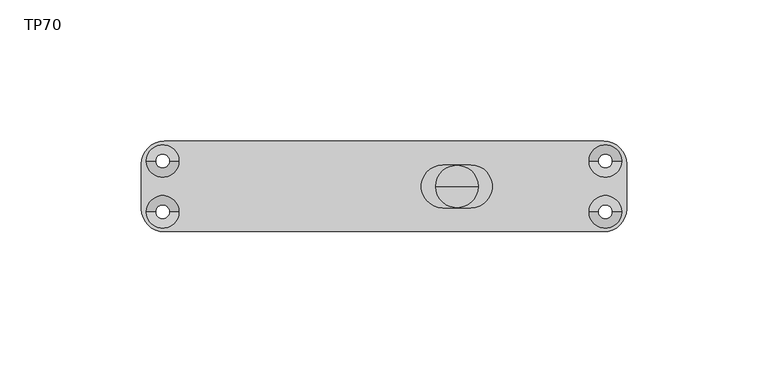
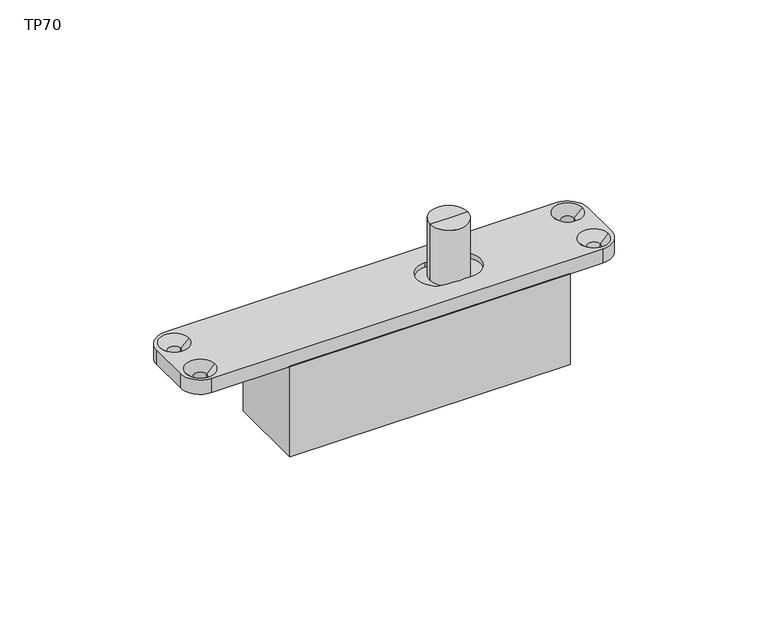
"""IFC4 building model written with IfcOpenShell, lengths in millimetres: proxy geometry, TP70."""

from ifc_helpers import new_model, si_unit, frame, origin, place, context, project, spatial, polyline, circle_curve, source, transform, mapped, element, save
from ifc_brep_helpers import plane_surface, cylinder_surface, revolved_surface, advanced_brep


def tp70_77f7ddd9(model_context):
    return source(origin(), model_context, "Body", "AdvancedBrep", [
        advanced_brep(
        [(-72.5, -16.0, -44.0), (39.0, -16.0, -44.0), (39.0, -16.0, -6.0), (-72.5, -16.0, -6.0), (-72.5, 16.0, -44.0), (-72.5, 16.0, -6.0), (39.0, 16.0, -6.0), (39.0, 16.0, -44.0), (39.0, 5.0, -13.0), (39.0, -5.0, -13.0), (39.0, 5.0, -34.0), (39.0, -5.0, -34.0), (37.0, -3.0, -13.0), (37.0, 3.0, -13.0), (33.0, 3.0, -13.0), (33.0, -3.0, -13.0), (33.0, 0.0, -13.0), (37.0, -3.0, -34.0), (37.0, 3.0, -34.0), (33.0, 3.0, -34.0), (33.0, -3.0, -34.0), (33.0, 0.0, -34.0)],
        [
            (0, 1),
            (1, 2),
            (2, 3),
            (3, 0),
            (4, 5),
            (5, 6),
            (6, 7),
            (7, 4),
            (0, 4),
            (7, 1),
            (6, 2),
            (8, 9, circle_curve(frame((39.0, 0.0, -13.0), z_axis=(-1.0, 0.0, 0.0), x_axis=(0.0, 1.0, 0.0)), 5.0)),
            (9, 8, circle_curve(frame((39.0, 0.0, -13.0), z_axis=(-1.0, 0.0, 0.0), x_axis=(0.0, 1.0, 0.0)), 5.0)),
            (10, 11, circle_curve(frame((39.0, 0.0, -34.0), z_axis=(-1.0, 0.0, 0.0), x_axis=(0.0, 1.0, 0.0)), 5.0)),
            (11, 10, circle_curve(frame((39.0, 0.0, -34.0), z_axis=(-1.0, 0.0, 0.0), x_axis=(0.0, 1.0, 0.0)), 5.0)),
            (5, 3),
            (12, 9),
            (8, 13),
            (13, 12, circle_curve(frame((37.0, 0.0, -13.0), z_axis=(-1.0, 0.0, 0.0), x_axis=(0.0, 1.0, 0.0)), 3.0)),
            (12, 13, circle_curve(frame((37.0, 0.0, -13.0), z_axis=(-1.0, 0.0, 0.0), x_axis=(0.0, 1.0, 0.0)), 3.0)),
            (13, 14),
            (14, 15, circle_curve(frame((33.0, 0.0, -13.0), z_axis=(-1.0, 0.0, 0.0), x_axis=(0.0, 1.0, 0.0)), 3.0)),
            (15, 12),
            (15, 14, circle_curve(frame((33.0, 0.0, -13.0), z_axis=(-1.0, 0.0, 0.0), x_axis=(0.0, 1.0, 0.0)), 3.0)),
            (14, 16),
            (16, 15),
            (17, 11),
            (10, 18),
            (18, 17, circle_curve(frame((37.0, 0.0, -34.0), z_axis=(-1.0, 0.0, 0.0), x_axis=(0.0, 1.0, 0.0)), 3.0)),
            (17, 18, circle_curve(frame((37.0, 0.0, -34.0), z_axis=(-1.0, 0.0, 0.0), x_axis=(0.0, 1.0, 0.0)), 3.0)),
            (18, 19),
            (19, 20, circle_curve(frame((33.0, 0.0, -34.0), z_axis=(-1.0, 0.0, 0.0), x_axis=(0.0, 1.0, 0.0)), 3.0)),
            (20, 17),
            (20, 19, circle_curve(frame((33.0, 0.0, -34.0), z_axis=(-1.0, 0.0, 0.0), x_axis=(0.0, 1.0, 0.0)), 3.0)),
            (19, 21),
            (21, 20),
        ],
        [
            plane_surface(frame((-65.6, -16.0, -44.0), z_axis=(0.0, -1.0, 0.0), x_axis=(1.0, 0.0, 0.0))),
            plane_surface(frame((-65.6, 16.0, -44.0), z_axis=(0.0, 1.0, 0.0), x_axis=(-1.0, 0.0, 0.0))),
            plane_surface(frame((-72.5, -16.0, -44.0), z_axis=(0.0, 0.0, -1.0), x_axis=(0.0, 1.0, 0.0))),
            plane_surface(frame((39.0, -16.0, -44.0), z_axis=(1.0, 0.0, 0.0), x_axis=(0.0, 1.0, 0.0))),
            plane_surface(frame((39.0, -16.0, -6.0), z_axis=(0.0, 0.0, 1.0), x_axis=(0.0, 1.0, 0.0))),
            plane_surface(frame((-72.5, -16.0, -6.0), z_axis=(-1.0, 0.0, 0.0), x_axis=(0.0, 1.0, 0.0))),
            revolved_surface(polyline([(37.0, 3.0, -13.0), (39.0, 5.0, -13.0)]), (49.2693834, 0.0, -13.0), (-1.0, 0.0, 0.0)),
            revolved_surface(polyline([(33.0, 3.0, -13.0), (37.0, 3.0, -13.0)]), (49.2693834, 0.0, -13.0), (-1.0, 0.0, 0.0)),
            plane_surface(frame((33.0, 0.0, -13.0), z_axis=(1.0, 0.0, 0.0), x_axis=(0.0, 1.0, 0.0))),
            revolved_surface(polyline([(37.0, 3.0, -34.0), (39.0, 5.0, -34.0)]), (49.2693834, 0.0, -34.0), (-1.0, 0.0, 0.0)),
            revolved_surface(polyline([(33.0, 3.0, -34.0), (37.0, 3.0, -34.0)]), (49.2693834, 0.0, -34.0), (-1.0, 0.0, 0.0)),
            plane_surface(frame((33.0, 0.0, -34.0), z_axis=(1.0, 0.0, 0.0), x_axis=(0.0, 1.0, 0.0))),
        ],
        [
            (0, [[1, 2, 3, 4]]),
            (1, [[5, 6, 7, 8]]),
            (2, [[-1, 9, -8, 10]]),
            (3, [[-2, -10, -7, 11], [12, 13], [14, 15]]),
            (4, [[-3, -11, -6, 16]]),
            (5, [[-4, -16, -5, -9]]),
            (6, [[17, -12, 18, 19]]),
            (6, [[-17, 20, -18, -13]]),
            (7, [[-19, 21, 22, 23]]),
            (7, [[-20, -23, 24, -21]]),
            (8, [[-22, 25, 26]]),
            (8, [[-24, -26, -25]]),
            (9, [[27, -14, 28, 29]]),
            (9, [[-27, 30, -28, -15]]),
            (10, [[-29, 31, 32, 33]]),
            (10, [[-30, -33, 34, -31]]),
            (11, [[-32, 35, 36]]),
            (11, [[-34, -36, -35]]),
        ],
    ),
        advanced_brep(
        [(7.5, 0.0, -2.0), (-7.5, 0.0, -2.0), (-7.5, 0.0, 21.5), (7.5, 0.0, 21.5), (0.0, 0.0, -2.0), (0.0, 0.0, 21.5)],
        [
            (0, 1, circle_curve(frame((0.0, 0.0, -2.0), z_axis=(0.0, 0.0, 1.0), x_axis=(-1.0, 0.0, 0.0)), 7.5)),
            (1, 2),
            (2, 3, circle_curve(frame((0.0, 0.0, 21.5), z_axis=(0.0, 0.0, -1.0), x_axis=(-1.0, 0.0, 0.0)), 7.5)),
            (3, 0),
            (1, 0, circle_curve(frame((0.0, 0.0, -2.0), z_axis=(0.0, 0.0, 1.0), x_axis=(-1.0, 0.0, 0.0)), 7.5)),
            (3, 2, circle_curve(frame((0.0, 0.0, 21.5), z_axis=(0.0, 0.0, -1.0), x_axis=(-1.0, 0.0, 0.0)), 7.5)),
            (4, 1),
            (0, 4),
            (2, 5),
            (5, 3),
        ],
        [
            cylinder_surface(frame((0.0, 0.0, 29.9005806), z_axis=(0.0, 0.0, -1.0), x_axis=(-1.0, 0.0, 0.0)), 7.5),
            plane_surface(frame((0.0, 0.0, -2.0), z_axis=(0.0, 0.0, -1.0), x_axis=(-1.0, 0.0, 0.0))),
            plane_surface(frame((0.0, 0.0, 21.5), z_axis=(0.0, 0.0, 1.0), x_axis=(-1.0, 0.0, 0.0))),
        ],
        [
            (0, [[1, 2, 3, 4]]),
            (0, [[5, -4, 6, -2]]),
            (1, [[7, -1, 8]]),
            (1, [[-8, -5, -7]]),
            (2, [[-3, 9, 10]]),
            (2, [[-6, -10, -9]]),
        ],
    ),
        advanced_brep(
        [(-103.5, -16.0, -6.0), (52.0, -16.0, -6.0), (52.0, -16.0, 0.0), (-103.5, -16.0, 0.0), (-103.5, 16.0, 0.0), (52.0, 16.0, 0.0), (52.0, 16.0, -6.0), (-103.5, 16.0, -6.0), (-111.5, -8.0, 0.0), (-111.5, 8.0, 0.0), (-111.5, 8.0, -6.0), (-111.5, -8.0, -6.0), (60.0, -8.0, 0.0), (60.0, 8.0, 0.0), (-109.75, 9.0, 0.0), (-98.25, 9.0, 0.0), (-98.25, -9.0, 0.0), (-109.75, -9.0, 0.0), (46.75, 9.0, 0.0), (58.25, 9.0, 0.0), (58.25, -9.0, 0.0), (46.75, -9.0, 0.0), (-5.0, 7.55, 0.0), (5.0, 7.55, 0.0), (5.0, -7.55, 0.0), (-5.0, -7.55, 0.0), (60.0, -8.0, -6.0), (60.0, 8.0, -6.0), (-101.5, 9.0, -6.0), (-106.5, 9.0, -6.0), (-106.5, -9.0, -6.0), (-101.5, -9.0, -6.0), (55.0, 9.0, -6.0), (50.0, 9.0, -6.0), (50.0, -9.0, -6.0), (55.0, -9.0, -6.0), (-101.5, 9.0, -3.25), (-106.5, 9.0, -3.25), (-101.5, -9.0, -3.25), (-106.5, -9.0, -3.25), (50.0, 9.0, -3.25), (55.0, 9.0, -3.25), (50.0, -9.0, -3.25), (55.0, -9.0, -3.25), (5.0, 7.55, -2.0), (-5.0, 7.55, -2.0), (-5.0, -7.55, -2.0), (5.0, -7.55, -2.0)],
        [
            (0, 1),
            (1, 2),
            (2, 3),
            (3, 0),
            (4, 5),
            (5, 6),
            (6, 7),
            (7, 4),
            (8, 9),
            (9, 10),
            (10, 11),
            (11, 8),
            (2, 12, circle_curve(frame((52.0, -8.0, 0.0), z_axis=(0.0, 0.0, 1.0), x_axis=(-1.0, 0.0, 0.0)), 8.0)),
            (12, 13),
            (13, 5, circle_curve(frame((52.0, 8.0, 0.0), z_axis=(0.0, 0.0, 1.0), x_axis=(-1.0, 0.0, 0.0)), 8.0)),
            (4, 9, circle_curve(frame((-103.5, 8.0, 0.0), z_axis=(0.0, 0.0, 1.0), x_axis=(1.0, 0.0, 0.0)), 8.0)),
            (8, 3, circle_curve(frame((-103.5, -8.0, 0.0), z_axis=(0.0, 0.0, 1.0), x_axis=(1.0, 0.0, 0.0)), 8.0)),
            (14, 15, circle_curve(frame((-104.0, 9.0, 0.0), z_axis=(0.0, 0.0, -1.0), x_axis=(-1.0, 0.0, 0.0)), 5.75)),
            (15, 14, circle_curve(frame((-104.0, 9.0, 0.0), z_axis=(0.0, 0.0, -1.0), x_axis=(-1.0, 0.0, 0.0)), 5.75)),
            (16, 17, circle_curve(frame((-104.0, -9.0, 0.0), z_axis=(0.0, 0.0, -1.0), x_axis=(-1.0, 0.0, 0.0)), 5.75)),
            (17, 16, circle_curve(frame((-104.0, -9.0, 0.0), z_axis=(0.0, 0.0, -1.0), x_axis=(-1.0, 0.0, 0.0)), 5.75)),
            (18, 19, circle_curve(frame((52.5, 9.0, 0.0), z_axis=(0.0, 0.0, -1.0), x_axis=(1.0, 0.0, 0.0)), 5.75)),
            (19, 18, circle_curve(frame((52.5, 9.0, 0.0), z_axis=(0.0, 0.0, -1.0), x_axis=(1.0, 0.0, 0.0)), 5.75)),
            (20, 21, circle_curve(frame((52.5, -9.0, 0.0), z_axis=(0.0, 0.0, -1.0), x_axis=(1.0, 0.0, 0.0)), 5.75)),
            (21, 20, circle_curve(frame((52.5, -9.0, 0.0), z_axis=(0.0, 0.0, -1.0), x_axis=(1.0, 0.0, 0.0)), 5.75)),
            (22, 23),
            (23, 24, circle_curve(frame((5.0, 0.0, 0.0), z_axis=(0.0, 0.0, -1.0), x_axis=(0.0, -1.0, 0.0)), 7.55)),
            (24, 25),
            (25, 22, circle_curve(frame((-5.0, 0.0, 0.0), z_axis=(0.0, 0.0, -1.0), x_axis=(0.0, -1.0, 0.0)), 7.55)),
            (12, 26),
            (26, 27),
            (27, 13),
            (0, 11, circle_curve(frame((-103.5, -8.0, -6.0), z_axis=(0.0, 0.0, -1.0), x_axis=(1.0, 0.0, 0.0)), 8.0)),
            (10, 7, circle_curve(frame((-103.5, 8.0, -6.0), z_axis=(0.0, 0.0, -1.0), x_axis=(1.0, 0.0, 0.0)), 8.0)),
            (6, 27, circle_curve(frame((52.0, 8.0, -6.0), z_axis=(0.0, 0.0, -1.0), x_axis=(-1.0, 0.0, 0.0)), 8.0)),
            (26, 1, circle_curve(frame((52.0, -8.0, -6.0), z_axis=(0.0, 0.0, -1.0), x_axis=(-1.0, 0.0, 0.0)), 8.0)),
            (28, 29, circle_curve(frame((-104.0, 9.0, -6.0), z_axis=(0.0, 0.0, 1.0), x_axis=(-1.0, 0.0, 0.0)), 2.5)),
            (29, 28, circle_curve(frame((-104.0, 9.0, -6.0), z_axis=(0.0, 0.0, 1.0), x_axis=(-1.0, 0.0, 0.0)), 2.5)),
            (30, 31, circle_curve(frame((-104.0, -9.0, -6.0), z_axis=(0.0, 0.0, 1.0), x_axis=(-1.0, 0.0, 0.0)), 2.5)),
            (31, 30, circle_curve(frame((-104.0, -9.0, -6.0), z_axis=(0.0, 0.0, 1.0), x_axis=(-1.0, 0.0, 0.0)), 2.5)),
            (32, 33, circle_curve(frame((52.5, 9.0, -6.0), z_axis=(0.0, 0.0, 1.0), x_axis=(1.0, 0.0, 0.0)), 2.5)),
            (33, 32, circle_curve(frame((52.5, 9.0, -6.0), z_axis=(0.0, 0.0, 1.0), x_axis=(1.0, 0.0, 0.0)), 2.5)),
            (34, 35, circle_curve(frame((52.5, -9.0, -6.0), z_axis=(0.0, 0.0, 1.0), x_axis=(1.0, 0.0, 0.0)), 2.5)),
            (35, 34, circle_curve(frame((52.5, -9.0, -6.0), z_axis=(0.0, 0.0, 1.0), x_axis=(1.0, 0.0, 0.0)), 2.5)),
            (28, 36),
            (36, 37, circle_curve(frame((-104.0, 9.0, -3.25), z_axis=(0.0, 0.0, 1.0), x_axis=(-1.0, 0.0, 0.0)), 2.5)),
            (37, 29),
            (37, 36, circle_curve(frame((-104.0, 9.0, -3.25), z_axis=(0.0, 0.0, 1.0), x_axis=(-1.0, 0.0, 0.0)), 2.5)),
            (36, 15),
            (14, 37),
            (38, 31),
            (30, 39),
            (39, 38, circle_curve(frame((-104.0, -9.0, -3.25), z_axis=(0.0, 0.0, 1.0), x_axis=(-1.0, 0.0, 0.0)), 2.5)),
            (38, 39, circle_curve(frame((-104.0, -9.0, -3.25), z_axis=(0.0, 0.0, 1.0), x_axis=(-1.0, 0.0, 0.0)), 2.5)),
            (39, 17),
            (16, 38),
            (40, 33),
            (32, 41),
            (41, 40, circle_curve(frame((52.5, 9.0, -3.25), z_axis=(0.0, 0.0, 1.0), x_axis=(1.0, 0.0, 0.0)), 2.5)),
            (40, 41, circle_curve(frame((52.5, 9.0, -3.25), z_axis=(0.0, 0.0, 1.0), x_axis=(1.0, 0.0, 0.0)), 2.5)),
            (41, 19),
            (18, 40),
            (34, 42),
            (42, 43, circle_curve(frame((52.5, -9.0, -3.25), z_axis=(0.0, 0.0, 1.0), x_axis=(1.0, 0.0, 0.0)), 2.5)),
            (43, 35),
            (43, 42, circle_curve(frame((52.5, -9.0, -3.25), z_axis=(0.0, 0.0, 1.0), x_axis=(1.0, 0.0, 0.0)), 2.5)),
            (42, 21),
            (20, 43),
            (44, 45),
            (45, 46, circle_curve(frame((-5.0, 0.0, -2.0), z_axis=(0.0, 0.0, 1.0), x_axis=(0.0, -1.0, 0.0)), 7.55)),
            (46, 47),
            (47, 44, circle_curve(frame((5.0, 0.0, -2.0), z_axis=(0.0, 0.0, 1.0), x_axis=(0.0, -1.0, 0.0)), 7.55)),
            (44, 23),
            (22, 45),
            (25, 46),
            (24, 47),
        ],
        [
            plane_surface(frame((-62.0, -16.0, -6.0), z_axis=(0.0, -1.0, 0.0), x_axis=(1.0, 0.0, 0.0))),
            plane_surface(frame((-62.0, 16.0, -6.0), z_axis=(0.0, 1.0, 0.0), x_axis=(-1.0, 0.0, 0.0))),
            plane_surface(frame((-111.5, -16.0, 0.0), z_axis=(-1.0, 0.0, 0.0), x_axis=(0.0, 1.0, 0.0))),
            plane_surface(frame((60.0, -16.0, 0.0), z_axis=(0.0, 0.0, 1.0), x_axis=(0.0, 1.0, 0.0))),
            plane_surface(frame((60.0, -16.0, -6.0), z_axis=(1.0, 0.0, 0.0), x_axis=(0.0, 1.0, 0.0))),
            plane_surface(frame((-111.5, -16.0, -6.0), z_axis=(0.0, 0.0, -1.0), x_axis=(0.0, 1.0, 0.0))),
            cylinder_surface(frame((-103.5, -8.0, -7.0), z_axis=(0.0, 0.0, -1.0), x_axis=(1.0, 0.0, 0.0)), 8.0),
            cylinder_surface(frame((-103.5, 8.0, 0.0), z_axis=(0.0, 0.0, -1.0), x_axis=(1.0, 0.0, 0.0)), 8.0),
            cylinder_surface(frame((52.0, -8.0, 0.0), z_axis=(0.0, 0.0, -1.0), x_axis=(-1.0, 0.0, 0.0)), 8.0),
            cylinder_surface(frame((52.0, 8.0, 0.0), z_axis=(0.0, 0.0, -1.0), x_axis=(-1.0, 0.0, 0.0)), 8.0),
            revolved_surface(polyline([(-106.5, 9.0, -6.0), (-106.5, 9.0, -3.2499999999999996)]), (-104.0, 9.0, 2.7351973), (0.0, 0.0, -1.0)),
            revolved_surface(polyline([(-106.5, 9.0, -3.25), (-109.75, 9.0, 0.0)]), (-104.0, 9.0, 2.7351973), (0.0, 0.0, -1.0)),
            revolved_surface(polyline([(-106.5, -9.0, -3.2499999999999996), (-106.5, -9.0, -6.0)]), (-104.0, -9.0, 2.7351973), (0.0, 0.0, 1.0)),
            revolved_surface(polyline([(-109.75, -9.0, 0.0), (-106.5, -9.0, -3.25)]), (-104.0, -9.0, 2.7351973), (0.0, 0.0, 1.0)),
            revolved_surface(polyline([(55.0, 9.0, -3.2499999999999996), (55.0, 9.0, -6.0)]), (52.5, 9.0, 2.7351973), (0.0, 0.0, 1.0)),
            revolved_surface(polyline([(58.25, 9.0, 0.0), (55.0, 9.0, -3.25)]), (52.5, 9.0, 2.7351973), (0.0, 0.0, 1.0)),
            revolved_surface(polyline([(55.0, -9.0, -6.0), (55.0, -9.0, -3.2499999999999996)]), (52.5, -9.0, 2.7351973), (0.0, 0.0, -1.0)),
            revolved_surface(polyline([(55.0, -9.0, -3.25), (58.25, -9.0, 0.0)]), (52.5, -9.0, 2.7351973), (0.0, 0.0, -1.0)),
            plane_surface(frame((0.0, 0.0, -2.0), z_axis=(0.0, 0.0, 1.0), x_axis=(0.0, -1.0, 0.0))),
            plane_surface(frame((5.0, 7.55, 0.0), z_axis=(0.0, -1.0, 0.0), x_axis=(0.0, 0.0, -1.0))),
            revolved_surface(polyline([(-5.0, -7.55, 0.0), (-5.0, -7.55, -2.0)]), (-5.0, 0.0, 0.0), (0.0, 0.0, 1.0)),
            plane_surface(frame((-5.0, -7.55, 0.0), z_axis=(0.0, 1.0, 0.0), x_axis=(0.0, 0.0, -1.0))),
            revolved_surface(polyline([(5.0, -7.55, 0.0), (5.0, -7.55, -2.0)]), (5.0, 0.0, 0.0), (0.0, 0.0, 1.0)),
        ],
        [
            (0, [[1, 2, 3, 4]]),
            (1, [[5, 6, 7, 8]]),
            (2, [[9, 10, 11, 12]]),
            (3, [[-3, 13, 14, 15, -5, 16, -9, 17], [18, 19], [20, 21], [22, 23], [24, 25], [26, 27, 28, 29]]),
            (4, [[-14, 30, 31, 32]]),
            (5, [[-1, 33, -11, 34, -7, 35, -31, 36], [37, 38], [39, 40], [41, 42], [43, 44]]),
            (6, [[-4, -17, -12, -33]]),
            (7, [[-8, -34, -10, -16]]),
            (8, [[-2, -36, -30, -13]]),
            (9, [[-6, -15, -32, -35]]),
            (10, [[45, 46, 47, -37]]),
            (10, [[-45, -38, -47, 48]]),
            (11, [[-46, 49, -18, 50]]),
            (11, [[-48, -50, -19, -49]]),
            (12, [[51, -39, 52, 53]]),
            (12, [[-51, 54, -52, -40]]),
            (13, [[-53, 55, -20, 56]]),
            (13, [[-54, -56, -21, -55]]),
            (14, [[57, -41, 58, 59]]),
            (14, [[-57, 60, -58, -42]]),
            (15, [[-59, 61, -22, 62]]),
            (15, [[-60, -62, -23, -61]]),
            (16, [[63, 64, 65, -43]]),
            (16, [[-63, -44, -65, 66]]),
            (17, [[-64, 67, -24, 68]]),
            (17, [[-66, -68, -25, -67]]),
            (18, [[69, 70, 71, 72]]),
            (19, [[-69, 73, -26, 74]]),
            (20, [[-70, -74, -29, 75]]),
            (21, [[-71, -75, -28, 76]]),
            (22, [[-72, -76, -27, -73]]),
        ],
    ),
    ])


if __name__ == "__main__":
    model = new_model("IFC4")
    model_context = context("Model", 3, world=origin())
    ifc_project = project(units=[si_unit("LENGTHUNIT", "METRE", prefix="MILLI")], contexts=[model_context])
    site = spatial("IfcSite", under=ifc_project)
    building = spatial("IfcBuilding", under=site)
    placement = place(None, origin())
    tp70_shape = tp70_77f7ddd9(model_context)
    element("IfcBuildingElementProxy", 1, Name="TP70", ObjectType="TP70", at=placement, inside=building, context=model_context, shape_type="MappedRepresentation", body=[
        mapped(tp70_shape, transform((0.0, 0.0, 0.0), x_axis=(1.0, 0.0, 0.0), y_axis=(0.0, 1.0, 0.0), z_axis=(0.0, 0.0, 1.0))),
    ])
    save(model, "model.ifc")
